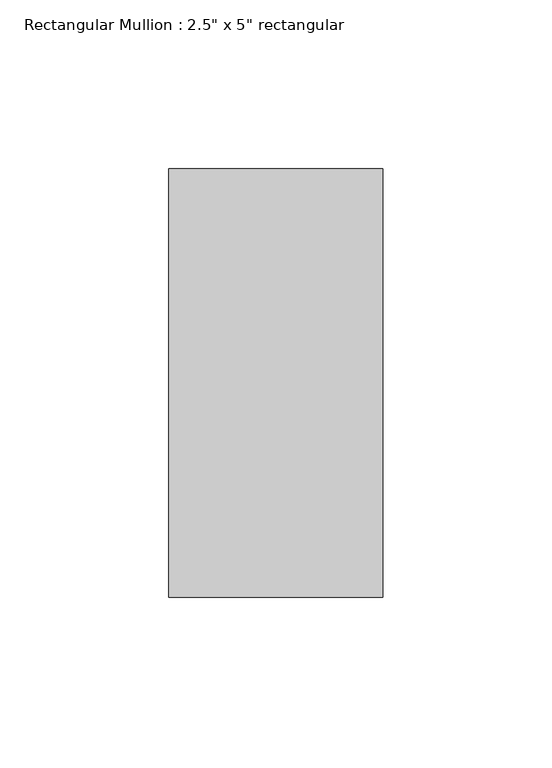
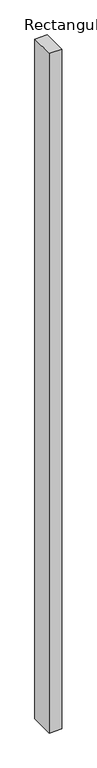
"""IFC4 building model written with IfcOpenShell, lengths in millimetres: member geometry."""

from ifc_helpers import new_model, si_unit, frame, origin, place, context, project, spatial, polyline, outline, extrude, source, transform, mapped, element, save


def member_ae7713a3(model_context):
    return source(origin(), model_context, "Body", "SweptSolid", [
        extrude(outline(polyline([(0.0, 63.5), (0.0, -63.5), (-63.5, -63.5), (-63.5, 63.5), (0.0, 63.5)])), frame((0.0, 0.0, -3675.1505466), z_axis=(0.0, 0.0, 1.0), x_axis=(1.0, 0.0, 0.0)), (0.0, 0.0, 1.0), 3675.1505466),
    ])


if __name__ == "__main__":
    model = new_model("IFC4")
    model_context = context("Model", 3, world=origin())
    ifc_project = project(units=[si_unit("LENGTHUNIT", "METRE", prefix="MILLI")], contexts=[model_context])
    site = spatial("IfcSite", under=ifc_project)
    building = spatial("IfcBuilding", under=site)
    placement = place(None, origin())
    member_shape = member_ae7713a3(model_context)
    element("IfcMember", 1, ObjectType="Rectangular Mullion : 2.5\" x 5\" rectangular", at=placement, inside=building, context=model_context, shape_type="MappedRepresentation", body=[
        mapped(member_shape, transform((0.0, 0.0, 0.0), x_axis=(1.0, 0.0, 0.0), y_axis=(0.0, 1.0, 0.0), z_axis=(0.0, 0.0, 1.0))),
    ])
    save(model, "model.ifc")
